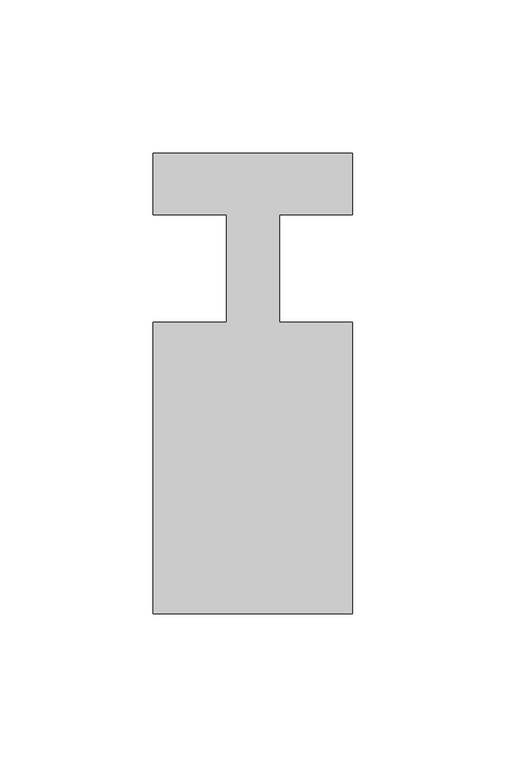
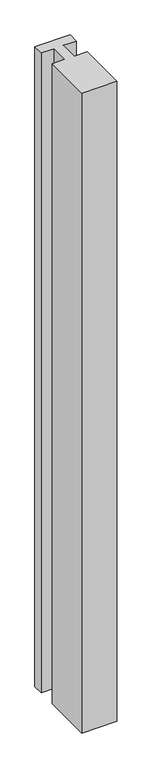
"""IFC4 building model written with IfcOpenShell, lengths in millimetres: member geometry."""

from ifc_helpers import new_model, si_unit, frame, origin, place, context, project, spatial, polyline, outline, extrude, source, transform, mapped, element, save


def member_e9a02b31(model_context):
    return source(origin(), model_context, "Body", "SweptSolid", [
        extrude(outline(polyline([(0.0, 37.0), (0.0, 17.0), (-23.8125, 17.0), (-23.8125, -18.0), (0.0, -18.0), (0.0, -113.0), (-65.0, -113.0), (-65.0, -18.0), (-41.1875, -18.0), (-41.1875, 17.0), (-65.0, 17.0), (-65.0, 37.0), (0.0, 37.0)])), frame((0.0, 0.0, -1250.0), z_axis=(0.0, 0.0, 1.0), x_axis=(1.0, 0.0, 0.0)), (0.0, 0.0, 1.0), 1250.0),
    ])


if __name__ == "__main__":
    model = new_model("IFC4")
    model_context = context("Model", 3, world=origin())
    ifc_project = project(units=[si_unit("LENGTHUNIT", "METRE", prefix="MILLI")], contexts=[model_context])
    site = spatial("IfcSite", under=ifc_project)
    building = spatial("IfcBuilding", under=site)
    placement = place(None, origin())
    member_shape = member_e9a02b31(model_context)
    element("IfcMember", 1, at=placement, inside=building, context=model_context, shape_type="MappedRepresentation", body=[
        mapped(member_shape, transform((0.0, 0.0, 0.0), x_axis=(1.0, 0.0, 0.0), y_axis=(0.0, 1.0, 0.0), z_axis=(0.0, 0.0, 1.0))),
    ])
    save(model, "model.ifc")
